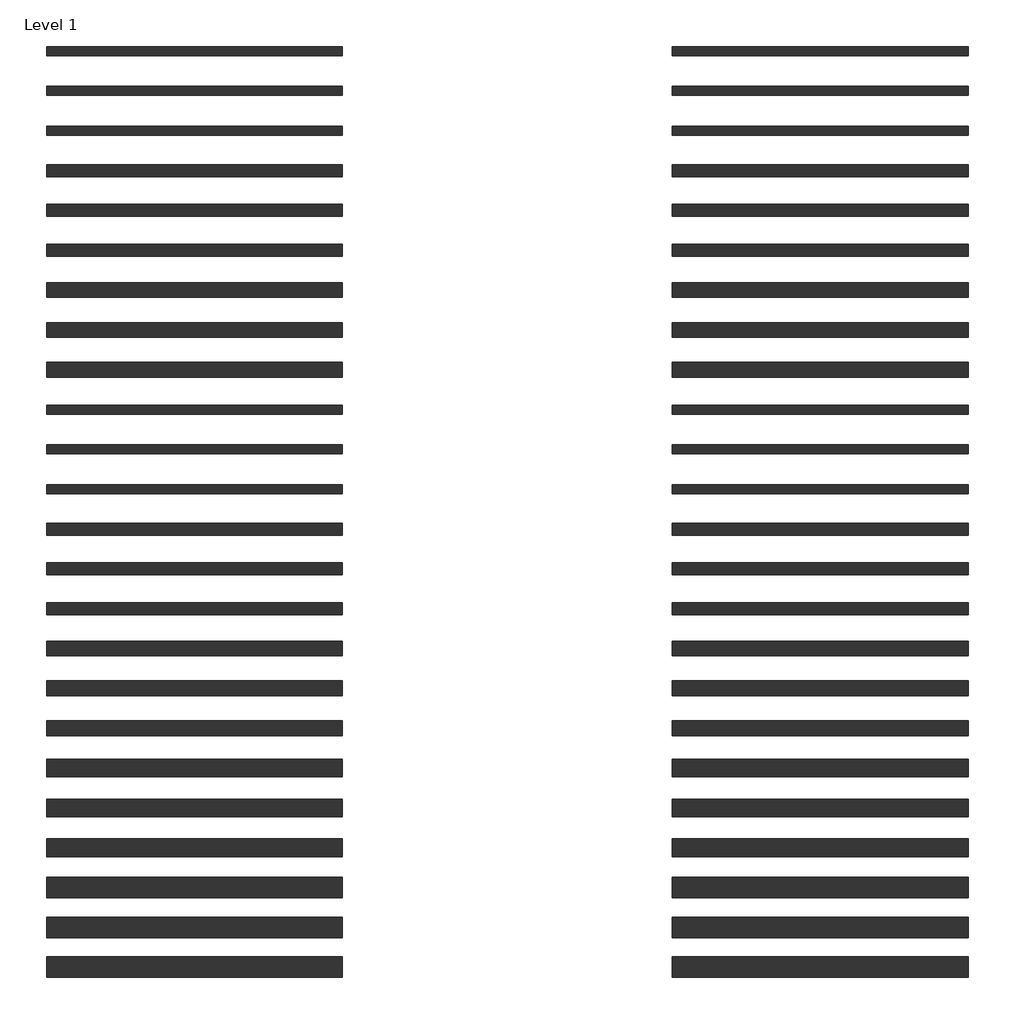
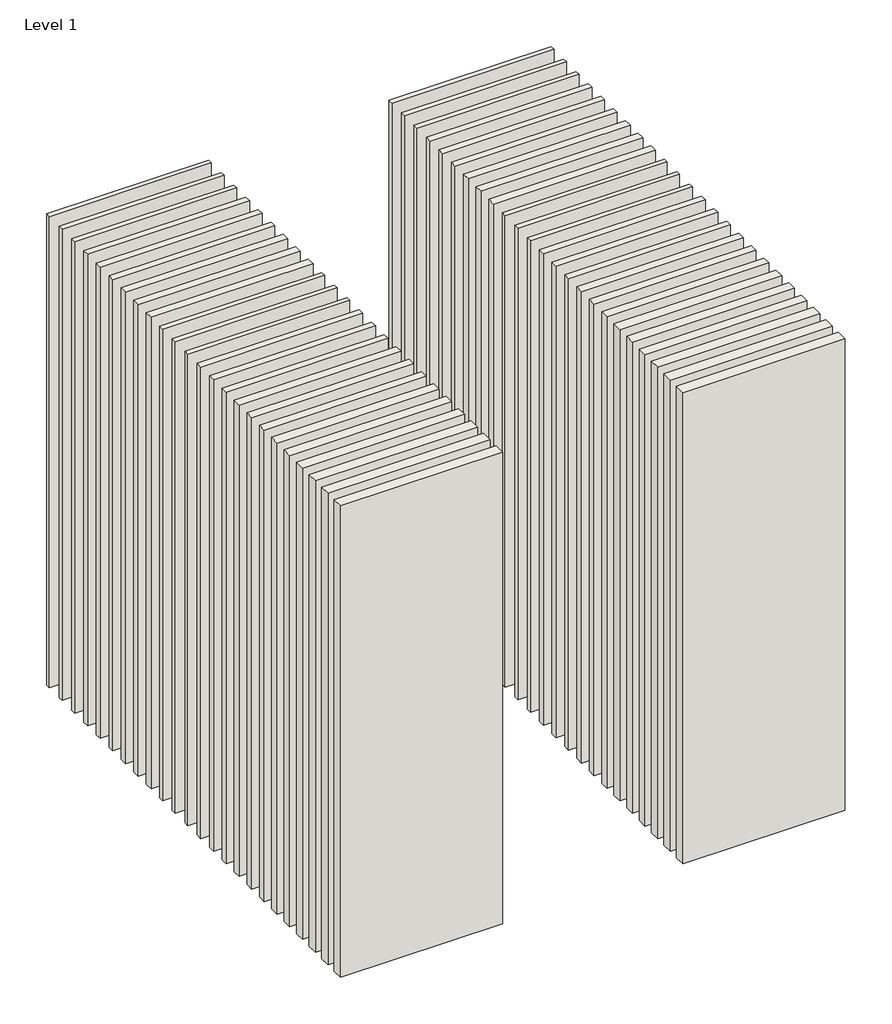
# One storey: 48 walls.
"""IFC4 building model written with IfcOpenShell, lengths in millimetres."""

from ifc_helpers import new_model, si_unit, origin, origin_with_axes, place, context, project, spatial, polyline, outline, extrude, element, save

model = new_model("IFC4")

# Units and contexts
model_context = context("Model", 3, world=origin())
ifc_project = project(units=[si_unit("LENGTHUNIT", "METRE", prefix="MILLI")], contexts=[model_context])

# Site, building, storey
site = spatial("IfcSite", under=ifc_project)
building = spatial("IfcBuilding", under=site)
storey = spatial("IfcBuildingStorey", under=building, Name="Level 1", Elevation=0.0)

# Walls
placement = place(None, origin())
element("IfcWall", 1, at=placement, inside=storey, context=model_context, shape_type="SweptSolid", body=[
    extrude(outline(polyline([(-16904.1464237, 3697.5198817), (-19504.1464237, 3697.5198817), (-19504.1464237, 3777.5198817), (-16904.1464237, 3777.5198817), (-16904.1464237, 3697.5198817)])), origin_with_axes(), (0.0, 0.0, 1.0), 8000.0),
])
element("IfcWall", 2, at=placement, inside=storey, context=model_context, shape_type="SweptSolid", body=[
    extrude(outline(polyline([(-16904.1464237, 3347.5198817), (-19504.1464237, 3347.5198817), (-19504.1464237, 3427.5198817), (-16904.1464237, 3427.5198817), (-16904.1464237, 3347.5198817)])), origin_with_axes(), (0.0, 0.0, 1.0), 8000.0),
])
element("IfcWall", 3, at=placement, inside=storey, context=model_context, shape_type="SweptSolid", body=[
    extrude(outline(polyline([(-16904.1464237, 2997.5198817), (-19504.1464237, 2997.5198817), (-19504.1464237, 3077.5198817), (-16904.1464237, 3077.5198817), (-16904.1464237, 2997.5198817)])), origin_with_axes(), (0.0, 0.0, 1.0), 8000.0),
])
element("IfcWall", 4, at=placement, inside=storey, context=model_context, shape_type="SweptSolid", body=[
    extrude(outline(polyline([(-16904.1464237, 2635.0198817), (-19504.1464237, 2635.0198817), (-19504.1464237, 2740.0198817), (-16904.1464237, 2740.0198817), (-16904.1464237, 2635.0198817)])), origin_with_axes(), (0.0, 0.0, 1.0), 8000.0),
])
element("IfcWall", 5, at=placement, inside=storey, context=model_context, shape_type="SweptSolid", body=[
    extrude(outline(polyline([(-16904.1464237, 2285.0198817), (-19504.1464237, 2285.0198817), (-19504.1464237, 2390.0198817), (-16904.1464237, 2390.0198817), (-16904.1464237, 2285.0198817)])), origin_with_axes(), (0.0, 0.0, 1.0), 8000.0),
])
element("IfcWall", 6, at=placement, inside=storey, context=model_context, shape_type="SweptSolid", body=[
    extrude(outline(polyline([(-16904.1464237, 1935.0198817), (-19504.1464237, 1935.0198817), (-19504.1464237, 2040.0198817), (-16904.1464237, 2040.0198817), (-16904.1464237, 1935.0198817)])), origin_with_axes(), (0.0, 0.0, 1.0), 8000.0),
])
element("IfcWall", 7, at=placement, inside=storey, context=model_context, shape_type="SweptSolid", body=[
    extrude(outline(polyline([(-16904.1464237, 1572.5198817), (-19504.1464237, 1572.5198817), (-19504.1464237, 1702.5198817), (-16904.1464237, 1702.5198817), (-16904.1464237, 1572.5198817)])), origin_with_axes(), (0.0, 0.0, 1.0), 8000.0),
])
element("IfcWall", 8, at=placement, inside=storey, context=model_context, shape_type="SweptSolid", body=[
    extrude(outline(polyline([(-16904.1464237, 1222.5198817), (-19504.1464237, 1222.5198817), (-19504.1464237, 1352.5198817), (-16904.1464237, 1352.5198817), (-16904.1464237, 1222.5198817)])), origin_with_axes(), (0.0, 0.0, 1.0), 8000.0),
])
element("IfcWall", 9, at=placement, inside=storey, context=model_context, shape_type="SweptSolid", body=[
    extrude(outline(polyline([(-16904.1464237, 872.5198817), (-19504.1464237, 872.5198817), (-19504.1464237, 1002.5198817), (-16904.1464237, 1002.5198817), (-16904.1464237, 872.5198817)])), origin_with_axes(), (0.0, 0.0, 1.0), 8000.0),
])
element("IfcWall", 10, at=placement, inside=storey, context=model_context, shape_type="SweptSolid", body=[
    extrude(outline(polyline([(-16904.1464237, 547.5198817), (-19504.1464237, 547.5198817), (-19504.1464237, 627.5198817), (-16904.1464237, 627.5198817), (-16904.1464237, 547.5198817)])), origin_with_axes(), (0.0, 0.0, 1.0), 8000.0),
])
element("IfcWall", 11, at=placement, inside=storey, context=model_context, shape_type="SweptSolid", body=[
    extrude(outline(polyline([(-16904.1464237, 197.5198817), (-19504.1464237, 197.5198817), (-19504.1464237, 277.5198817), (-16904.1464237, 277.5198817), (-16904.1464237, 197.5198817)])), origin_with_axes(), (0.0, 0.0, 1.0), 8000.0),
])
element("IfcWall", 12, at=placement, inside=storey, context=model_context, shape_type="SweptSolid", body=[
    extrude(outline(polyline([(-16904.1464237, -152.4801183), (-19504.1464237, -152.4801183), (-19504.1464237, -72.4801183), (-16904.1464237, -72.4801183), (-16904.1464237, -152.4801183)])), origin_with_axes(), (0.0, 0.0, 1.0), 8000.0),
])
element("IfcWall", 13, at=placement, inside=storey, context=model_context, shape_type="SweptSolid", body=[
    extrude(outline(polyline([(-16904.1464237, -514.9801183), (-19504.1464237, -514.9801183), (-19504.1464237, -409.9801183), (-16904.1464237, -409.9801183), (-16904.1464237, -514.9801183)])), origin_with_axes(), (0.0, 0.0, 1.0), 8000.0),
])
element("IfcWall", 14, at=placement, inside=storey, context=model_context, shape_type="SweptSolid", body=[
    extrude(outline(polyline([(-16904.1464237, -864.9801183), (-19504.1464237, -864.9801183), (-19504.1464237, -759.9801183), (-16904.1464237, -759.9801183), (-16904.1464237, -864.9801183)])), origin_with_axes(), (0.0, 0.0, 1.0), 8000.0),
])
element("IfcWall", 15, at=placement, inside=storey, context=model_context, shape_type="SweptSolid", body=[
    extrude(outline(polyline([(-16904.1464237, -1214.9801183), (-19504.1464237, -1214.9801183), (-19504.1464237, -1109.9801183), (-16904.1464237, -1109.9801183), (-16904.1464237, -1214.9801183)])), origin_with_axes(), (0.0, 0.0, 1.0), 8000.0),
])
element("IfcWall", 16, at=placement, inside=storey, context=model_context, shape_type="SweptSolid", body=[
    extrude(outline(polyline([(-16904.1464237, -1577.4801183), (-19504.1464237, -1577.4801183), (-19504.1464237, -1447.4801183), (-16904.1464237, -1447.4801183), (-16904.1464237, -1577.4801183)])), origin_with_axes(), (0.0, 0.0, 1.0), 8000.0),
])
element("IfcWall", 17, at=placement, inside=storey, context=model_context, shape_type="SweptSolid", body=[
    extrude(outline(polyline([(-16904.1464237, -1927.4801183), (-19504.1464237, -1927.4801183), (-19504.1464237, -1797.4801183), (-16904.1464237, -1797.4801183), (-16904.1464237, -1927.4801183)])), origin_with_axes(), (0.0, 0.0, 1.0), 8000.0),
])
element("IfcWall", 18, at=placement, inside=storey, context=model_context, shape_type="SweptSolid", body=[
    extrude(outline(polyline([(-16904.1464237, -2277.4801183), (-19504.1464237, -2277.4801183), (-19504.1464237, -2147.4801183), (-16904.1464237, -2147.4801183), (-16904.1464237, -2277.4801183)])), origin_with_axes(), (0.0, 0.0, 1.0), 8000.0),
])
element("IfcWall", 19, at=placement, inside=storey, context=model_context, shape_type="SweptSolid", body=[
    extrude(outline(polyline([(-16904.1464237, -2639.9801183), (-19504.1464237, -2639.9801183), (-19504.1464237, -2484.9801183), (-16904.1464237, -2484.9801183), (-16904.1464237, -2639.9801183)])), origin_with_axes(), (0.0, 0.0, 1.0), 8000.0),
])
element("IfcWall", 20, at=placement, inside=storey, context=model_context, shape_type="SweptSolid", body=[
    extrude(outline(polyline([(-16904.1464237, -2989.9801183), (-19504.1464237, -2989.9801183), (-19504.1464237, -2834.9801183), (-16904.1464237, -2834.9801183), (-16904.1464237, -2989.9801183)])), origin_with_axes(), (0.0, 0.0, 1.0), 8000.0),
])
element("IfcWall", 21, at=placement, inside=storey, context=model_context, shape_type="SweptSolid", body=[
    extrude(outline(polyline([(-16904.1464237, -3339.9801183), (-19504.1464237, -3339.9801183), (-19504.1464237, -3184.9801183), (-16904.1464237, -3184.9801183), (-16904.1464237, -3339.9801183)])), origin_with_axes(), (0.0, 0.0, 1.0), 8000.0),
])
element("IfcWall", 22, at=placement, inside=storey, context=model_context, shape_type="SweptSolid", body=[
    extrude(outline(polyline([(-16904.1464237, -3702.4801183), (-19504.1464237, -3702.4801183), (-19504.1464237, -3522.4801183), (-16904.1464237, -3522.4801183), (-16904.1464237, -3702.4801183)])), origin_with_axes(), (0.0, 0.0, 1.0), 8000.0),
])
element("IfcWall", 23, at=placement, inside=storey, context=model_context, shape_type="SweptSolid", body=[
    extrude(outline(polyline([(-16904.1464237, -4052.4801183), (-19504.1464237, -4052.4801183), (-19504.1464237, -3872.4801183), (-16904.1464237, -3872.4801183), (-16904.1464237, -4052.4801183)])), origin_with_axes(), (0.0, 0.0, 1.0), 8000.0),
])
element("IfcWall", 24, at=placement, inside=storey, context=model_context, shape_type="SweptSolid", body=[
    extrude(outline(polyline([(-16904.1464237, -4402.4801183), (-19504.1464237, -4402.4801183), (-19504.1464237, -4222.4801183), (-16904.1464237, -4222.4801183), (-16904.1464237, -4402.4801183)])), origin_with_axes(), (0.0, 0.0, 1.0), 8000.0),
])
element("IfcWall", 25, at=placement, inside=storey, context=model_context, shape_type="SweptSolid", body=[
    extrude(outline(polyline([(-11404.1464237, 3697.5198817), (-14004.1464237, 3697.5198817), (-14004.1464237, 3777.5198817), (-11404.1464237, 3777.5198817), (-11404.1464237, 3697.5198817)])), origin_with_axes(), (0.0, 0.0, 1.0), 8000.0),
])
element("IfcWall", 26, at=placement, inside=storey, context=model_context, shape_type="SweptSolid", body=[
    extrude(outline(polyline([(-11404.1464237, 3347.5198817), (-14004.1464237, 3347.5198817), (-14004.1464237, 3427.5198817), (-11404.1464237, 3427.5198817), (-11404.1464237, 3347.5198817)])), origin_with_axes(), (0.0, 0.0, 1.0), 8000.0),
])
element("IfcWall", 27, at=placement, inside=storey, context=model_context, shape_type="SweptSolid", body=[
    extrude(outline(polyline([(-11404.1464237, 2997.5198817), (-14004.1464237, 2997.5198817), (-14004.1464237, 3077.5198817), (-11404.1464237, 3077.5198817), (-11404.1464237, 2997.5198817)])), origin_with_axes(), (0.0, 0.0, 1.0), 8000.0),
])
element("IfcWall", 28, at=placement, inside=storey, context=model_context, shape_type="SweptSolid", body=[
    extrude(outline(polyline([(-11404.1464237, 2635.0198817), (-14004.1464237, 2635.0198817), (-14004.1464237, 2740.0198817), (-11404.1464237, 2740.0198817), (-11404.1464237, 2635.0198817)])), origin_with_axes(), (0.0, 0.0, 1.0), 8000.0),
])
element("IfcWall", 29, at=placement, inside=storey, context=model_context, shape_type="SweptSolid", body=[
    extrude(outline(polyline([(-11404.1464237, 2285.0198817), (-14004.1464237, 2285.0198817), (-14004.1464237, 2390.0198817), (-11404.1464237, 2390.0198817), (-11404.1464237, 2285.0198817)])), origin_with_axes(), (0.0, 0.0, 1.0), 8000.0),
])
element("IfcWall", 30, at=placement, inside=storey, context=model_context, shape_type="SweptSolid", body=[
    extrude(outline(polyline([(-11404.1464237, 1935.0198817), (-14004.1464237, 1935.0198817), (-14004.1464237, 2040.0198817), (-11404.1464237, 2040.0198817), (-11404.1464237, 1935.0198817)])), origin_with_axes(), (0.0, 0.0, 1.0), 8000.0),
])
element("IfcWall", 31, at=placement, inside=storey, context=model_context, shape_type="SweptSolid", body=[
    extrude(outline(polyline([(-11404.1464237, 1572.5198817), (-14004.1464237, 1572.5198817), (-14004.1464237, 1702.5198817), (-11404.1464237, 1702.5198817), (-11404.1464237, 1572.5198817)])), origin_with_axes(), (0.0, 0.0, 1.0), 8000.0),
])
element("IfcWall", 32, at=placement, inside=storey, context=model_context, shape_type="SweptSolid", body=[
    extrude(outline(polyline([(-11404.1464237, 1222.5198817), (-14004.1464237, 1222.5198817), (-14004.1464237, 1352.5198817), (-11404.1464237, 1352.5198817), (-11404.1464237, 1222.5198817)])), origin_with_axes(), (0.0, 0.0, 1.0), 8000.0),
])
element("IfcWall", 33, at=placement, inside=storey, context=model_context, shape_type="SweptSolid", body=[
    extrude(outline(polyline([(-11404.1464237, 872.5198817), (-14004.1464237, 872.5198817), (-14004.1464237, 1002.5198817), (-11404.1464237, 1002.5198817), (-11404.1464237, 872.5198817)])), origin_with_axes(), (0.0, 0.0, 1.0), 8000.0),
])
element("IfcWall", 34, at=placement, inside=storey, context=model_context, shape_type="SweptSolid", body=[
    extrude(outline(polyline([(-11404.1464237, 547.5198817), (-14004.1464237, 547.5198817), (-14004.1464237, 627.5198817), (-11404.1464237, 627.5198817), (-11404.1464237, 547.5198817)])), origin_with_axes(), (0.0, 0.0, 1.0), 8000.0),
])
element("IfcWall", 35, at=placement, inside=storey, context=model_context, shape_type="SweptSolid", body=[
    extrude(outline(polyline([(-11404.1464237, 197.5198817), (-14004.1464237, 197.5198817), (-14004.1464237, 277.5198817), (-11404.1464237, 277.5198817), (-11404.1464237, 197.5198817)])), origin_with_axes(), (0.0, 0.0, 1.0), 8000.0),
])
element("IfcWall", 36, at=placement, inside=storey, context=model_context, shape_type="SweptSolid", body=[
    extrude(outline(polyline([(-11404.1464237, -152.4801183), (-14004.1464237, -152.4801183), (-14004.1464237, -72.4801183), (-11404.1464237, -72.4801183), (-11404.1464237, -152.4801183)])), origin_with_axes(), (0.0, 0.0, 1.0), 8000.0),
])
element("IfcWall", 37, at=placement, inside=storey, context=model_context, shape_type="SweptSolid", body=[
    extrude(outline(polyline([(-11404.1464237, -514.9801183), (-14004.1464237, -514.9801183), (-14004.1464237, -409.9801183), (-11404.1464237, -409.9801183), (-11404.1464237, -514.9801183)])), origin_with_axes(), (0.0, 0.0, 1.0), 8000.0),
])
element("IfcWall", 38, at=placement, inside=storey, context=model_context, shape_type="SweptSolid", body=[
    extrude(outline(polyline([(-11404.1464237, -864.9801183), (-14004.1464237, -864.9801183), (-14004.1464237, -759.9801183), (-11404.1464237, -759.9801183), (-11404.1464237, -864.9801183)])), origin_with_axes(), (0.0, 0.0, 1.0), 8000.0),
])
element("IfcWall", 39, at=placement, inside=storey, context=model_context, shape_type="SweptSolid", body=[
    extrude(outline(polyline([(-11404.1464237, -1214.9801183), (-14004.1464237, -1214.9801183), (-14004.1464237, -1109.9801183), (-11404.1464237, -1109.9801183), (-11404.1464237, -1214.9801183)])), origin_with_axes(), (0.0, 0.0, 1.0), 8000.0),
])
element("IfcWall", 40, at=placement, inside=storey, context=model_context, shape_type="SweptSolid", body=[
    extrude(outline(polyline([(-11404.1464237, -1577.4801183), (-14004.1464237, -1577.4801183), (-14004.1464237, -1447.4801183), (-11404.1464237, -1447.4801183), (-11404.1464237, -1577.4801183)])), origin_with_axes(), (0.0, 0.0, 1.0), 8000.0),
])
element("IfcWall", 41, at=placement, inside=storey, context=model_context, shape_type="SweptSolid", body=[
    extrude(outline(polyline([(-11404.1464237, -1927.4801183), (-14004.1464237, -1927.4801183), (-14004.1464237, -1797.4801183), (-11404.1464237, -1797.4801183), (-11404.1464237, -1927.4801183)])), origin_with_axes(), (0.0, 0.0, 1.0), 8000.0),
])
element("IfcWall", 42, at=placement, inside=storey, context=model_context, shape_type="SweptSolid", body=[
    extrude(outline(polyline([(-11404.1464237, -2277.4801183), (-14004.1464237, -2277.4801183), (-14004.1464237, -2147.4801183), (-11404.1464237, -2147.4801183), (-11404.1464237, -2277.4801183)])), origin_with_axes(), (0.0, 0.0, 1.0), 8000.0),
])
element("IfcWall", 43, at=placement, inside=storey, context=model_context, shape_type="SweptSolid", body=[
    extrude(outline(polyline([(-11404.1464237, -2639.9801183), (-14004.1464237, -2639.9801183), (-14004.1464237, -2484.9801183), (-11404.1464237, -2484.9801183), (-11404.1464237, -2639.9801183)])), origin_with_axes(), (0.0, 0.0, 1.0), 8000.0),
])
element("IfcWall", 44, at=placement, inside=storey, context=model_context, shape_type="SweptSolid", body=[
    extrude(outline(polyline([(-11404.1464237, -2989.9801183), (-14004.1464237, -2989.9801183), (-14004.1464237, -2834.9801183), (-11404.1464237, -2834.9801183), (-11404.1464237, -2989.9801183)])), origin_with_axes(), (0.0, 0.0, 1.0), 8000.0),
])
element("IfcWall", 45, at=placement, inside=storey, context=model_context, shape_type="SweptSolid", body=[
    extrude(outline(polyline([(-11404.1464237, -3339.9801183), (-14004.1464237, -3339.9801183), (-14004.1464237, -3184.9801183), (-11404.1464237, -3184.9801183), (-11404.1464237, -3339.9801183)])), origin_with_axes(), (0.0, 0.0, 1.0), 8000.0),
])
element("IfcWall", 46, at=placement, inside=storey, context=model_context, shape_type="SweptSolid", body=[
    extrude(outline(polyline([(-11404.1464237, -3702.4801183), (-14004.1464237, -3702.4801183), (-14004.1464237, -3522.4801183), (-11404.1464237, -3522.4801183), (-11404.1464237, -3702.4801183)])), origin_with_axes(), (0.0, 0.0, 1.0), 8000.0),
])
element("IfcWall", 47, at=placement, inside=storey, context=model_context, shape_type="SweptSolid", body=[
    extrude(outline(polyline([(-11404.1464237, -4052.4801183), (-14004.1464237, -4052.4801183), (-14004.1464237, -3872.4801183), (-11404.1464237, -3872.4801183), (-11404.1464237, -4052.4801183)])), origin_with_axes(), (0.0, 0.0, 1.0), 8000.0),
])
element("IfcWall", 48, at=placement, inside=storey, context=model_context, shape_type="SweptSolid", body=[
    extrude(outline(polyline([(-11404.1464237, -4402.4801183), (-14004.1464237, -4402.4801183), (-14004.1464237, -4222.4801183), (-11404.1464237, -4222.4801183), (-11404.1464237, -4402.4801183)])), origin_with_axes(), (0.0, 0.0, 1.0), 8000.0),
])

save(model, "model.ifc")
